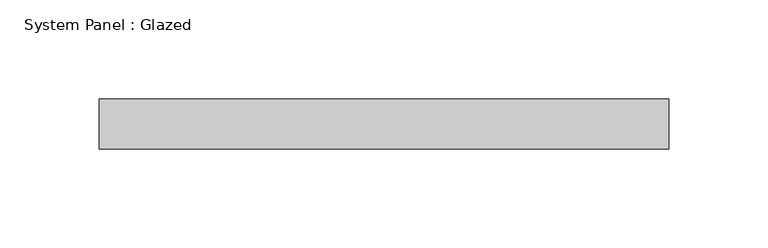
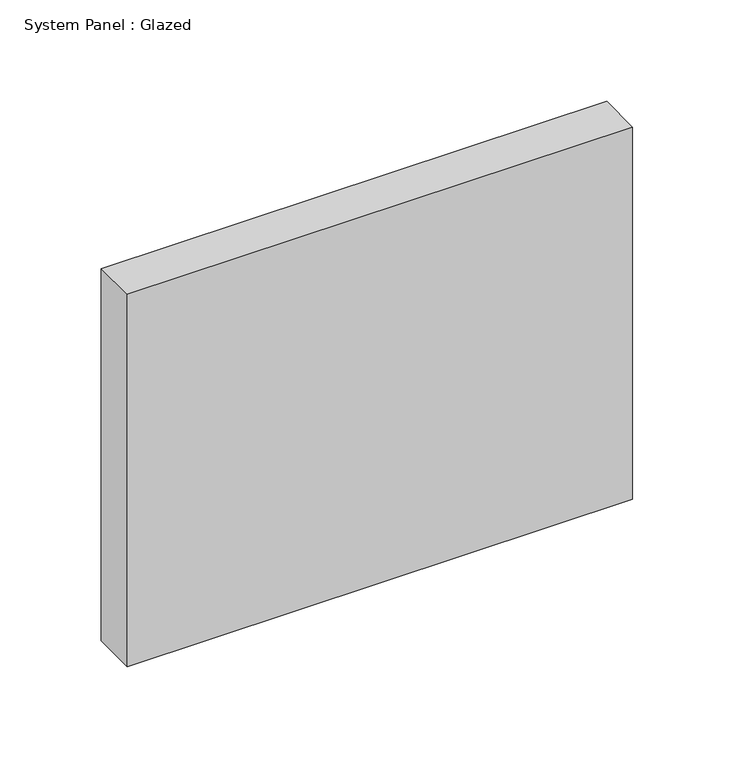
"""IFC4 building model written with IfcOpenShell, lengths in millimetres: plate geometry, System Panel : Glazed."""

from ifc_helpers import new_model, si_unit, origin, origin_with_axes, place, context, project, spatial, polyline, outline, extrude, source, transform, mapped, element, save


def system_panel_glazed_3b3cb07f(model_context):
    return source(origin(), model_context, "Body", "SweptSolid", [
        extrude(outline(polyline([(143.9333333, 19.05), (-143.9333333, 19.05), (-143.9333333, 44.45), (143.9333333, 44.45), (143.9333333, 19.05)])), origin_with_axes(), (0.0, 0.0, 1.0), 223.9301113),
    ])


if __name__ == "__main__":
    model = new_model("IFC4")
    model_context = context("Model", 3, world=origin())
    ifc_project = project(units=[si_unit("LENGTHUNIT", "METRE", prefix="MILLI")], contexts=[model_context])
    site = spatial("IfcSite", under=ifc_project)
    building = spatial("IfcBuilding", under=site)
    placement = place(None, origin())
    system_panel_glazed_shape = system_panel_glazed_3b3cb07f(model_context)
    element("IfcPlate", 1, ObjectType="System Panel : Glazed", at=placement, inside=building, context=model_context, shape_type="MappedRepresentation", body=[
        mapped(system_panel_glazed_shape, transform((0.0, 0.0, 0.0), x_axis=(1.0, 0.0, 0.0), y_axis=(0.0, 1.0, 0.0), z_axis=(0.0, 0.0, 1.0))),
    ])
    save(model, "model.ifc")
